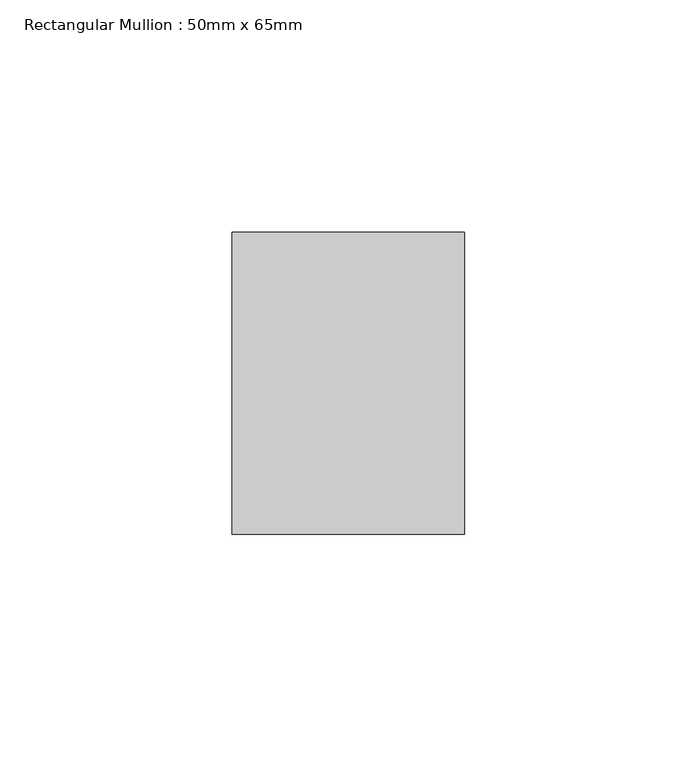
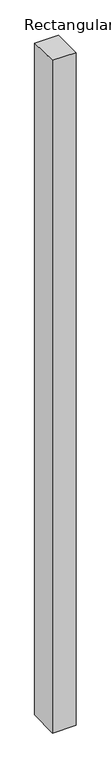
"""IFC4 building model written with IfcOpenShell, lengths in millimetres: member geometry, Rectangular Mullion : 50mm x 65mm."""

from ifc_helpers import new_model, si_unit, origin, place, context, project, spatial, faceted_brep, source, transform, mapped, element, save


def rectangular_mullion_50mm_x_65mm_1771bf00(model_context):
    return source(origin(), model_context, "Body", "Brep", [
        faceted_brep([(-25.0, 32.5, -0.4518139), (25.0, 32.5, -0.4518165), (25.0, 32.5, -1499.4313169), (-25.0, 32.5, -1499.4313202), (-25.0, -32.5, 0.4518165), (-25.0, -32.5, -1500.5679607), (25.0, -32.5, 0.4518139), (25.0, -32.5, -1500.5679573)], [[[0, 1, 2, 3]], [[4, 0, 3, 5]], [[6, 4, 5, 7]], [[1, 6, 7, 2]], [[1, 0, 4, 6]], [[2, 7, 5, 3]]]),
    ])


if __name__ == "__main__":
    model = new_model("IFC4")
    model_context = context("Model", 3, world=origin())
    ifc_project = project(units=[si_unit("LENGTHUNIT", "METRE", prefix="MILLI")], contexts=[model_context])
    site = spatial("IfcSite", under=ifc_project)
    building = spatial("IfcBuilding", under=site)
    placement = place(None, origin())
    rectangular_mullion_50mm_x_65mm_shape = rectangular_mullion_50mm_x_65mm_1771bf00(model_context)
    element("IfcMember", 1, ObjectType="Rectangular Mullion : 50mm x 65mm", at=placement, inside=building, context=model_context, shape_type="MappedRepresentation", body=[
        mapped(rectangular_mullion_50mm_x_65mm_shape, transform((0.0, 0.0, 0.0), x_axis=(1.0, 0.0, 0.0), y_axis=(0.0, 1.0, 0.0), z_axis=(0.0, 0.0, 1.0))),
    ])
    save(model, "model.ifc")
